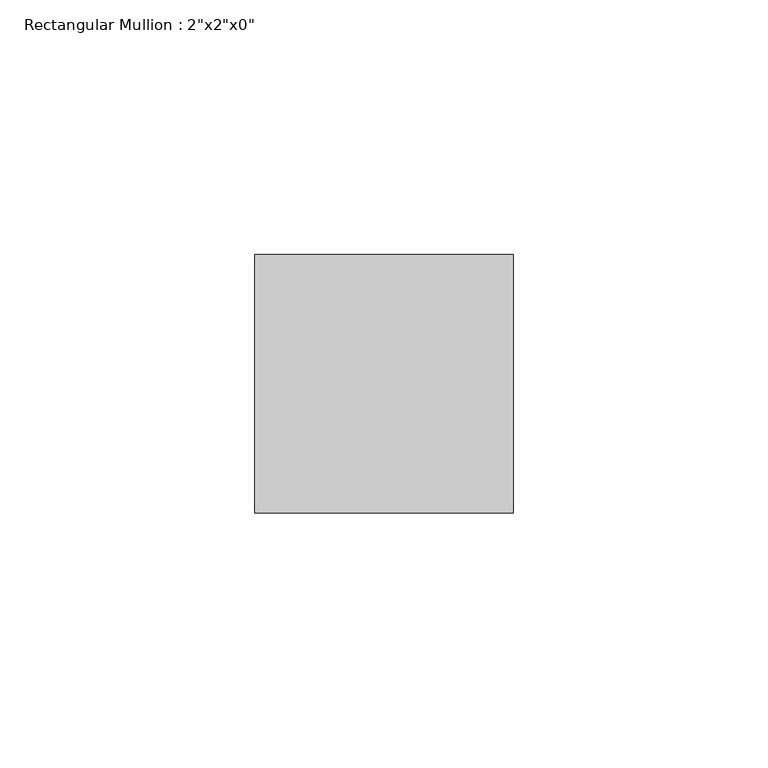
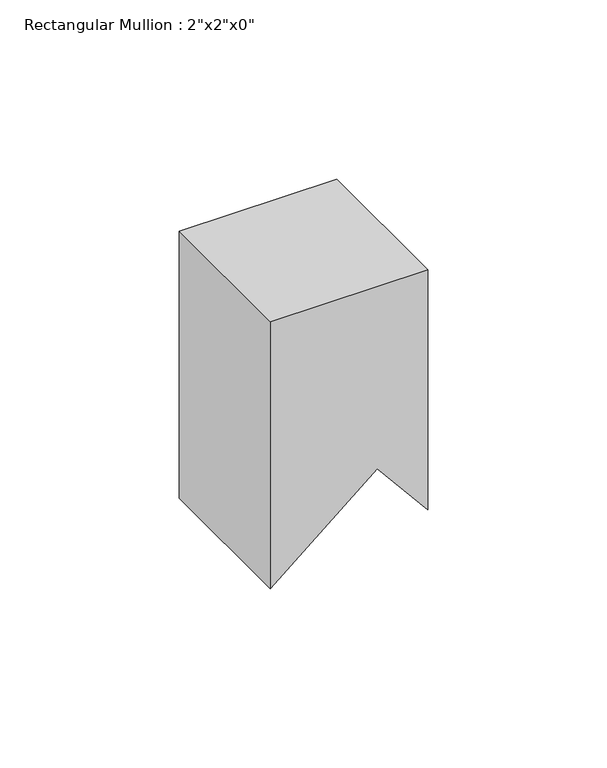
"""IFC4 building model written with IfcOpenShell, lengths in millimetres: member geometry."""

from ifc_helpers import new_model, si_unit, origin, place, context, project, spatial, faceted_brep, source, transform, mapped, element, save


def member_2147089b(model_context):
    return source(origin(), model_context, "Body", "Brep", [
        faceted_brep([(0.0, 25.4, 0.0), (-50.8, 25.4, 0.0), (-50.8, -25.4, 0.0), (0.0, -25.4, 0.0), (0.0, 25.4, -81.7995598), (-6.9272727, 25.4, -73.4740141), (-16.2458946, 25.4, -62.2744245), (-50.8, 25.4, -91.0251781), (-50.8, -25.4, -91.0251781), (-16.2458946, -25.4, -62.2744245), (0.0, -25.4, -81.7995598)], [[[0, 1, 2, 3]], [[1, 0, 4, 5, 6, 7]], [[2, 1, 7, 8]], [[3, 2, 8, 9, 10]], [[0, 3, 10, 4]], [[4, 10, 9, 6, 5]], [[9, 8, 7, 6]]]),
    ])


if __name__ == "__main__":
    model = new_model("IFC4")
    model_context = context("Model", 3, world=origin())
    ifc_project = project(units=[si_unit("LENGTHUNIT", "METRE", prefix="MILLI")], contexts=[model_context])
    site = spatial("IfcSite", under=ifc_project)
    building = spatial("IfcBuilding", under=site)
    placement = place(None, origin())
    member_shape = member_2147089b(model_context)
    element("IfcMember", 1, ObjectType="Rectangular Mullion : 2\"x2\"x0\"", at=placement, inside=building, context=model_context, shape_type="MappedRepresentation", body=[
        mapped(member_shape, transform((0.0, 0.0, 0.0), x_axis=(1.0, 0.0, 0.0), y_axis=(0.0, 1.0, 0.0), z_axis=(0.0, 0.0, 1.0))),
    ])
    save(model, "model.ifc")
